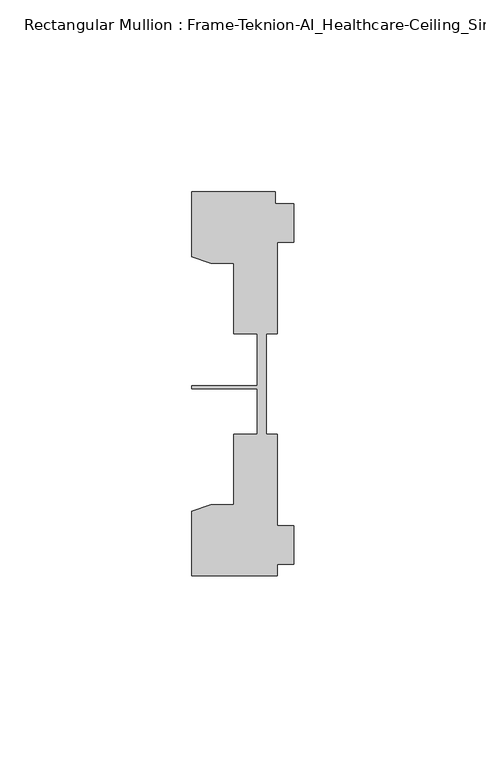
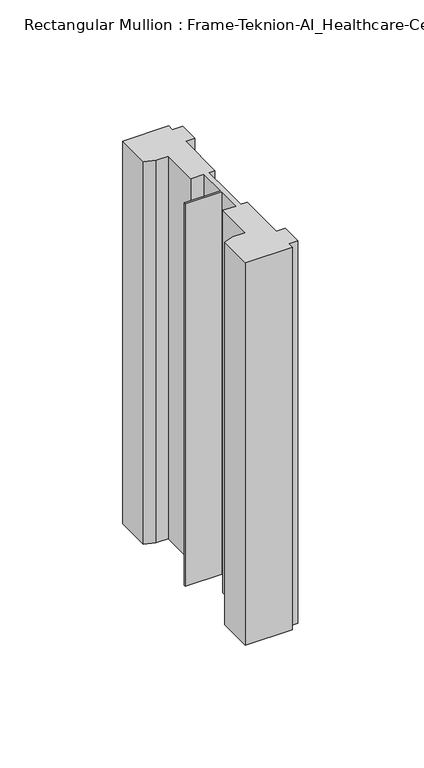
"""IFC4 building model written with IfcOpenShell, lengths in millimetres: member geometry, Rectangular Mullion : Frame-Teknion-AI_Healthcare-Ceiling_Single_Channel."""

from ifc_helpers import new_model, si_unit, frame, origin, place, context, project, spatial, polyline, outline, extrude, source, transform, mapped, element, save


def rectangular_mullion_frame_teknion_ai_healthcare_ceiling_0526be36(model_context):
    return source(origin(), model_context, "Body", "SweptSolid", [
        extrude(outline(polyline([(-26.4921999, 34.0201677), (-26.4921999, 50.8315128), (-4.7752002, 50.8315128), (-4.7752002, 47.782071), (0.0, 47.782071), (0.0, 37.7820716), (-4.2672007, 37.7820716), (-4.2672007, 13.9110722), (-7.1647766, 13.9110722), (-7.1647766, 0.0814804), (-7.1647766, -12.2509301), (-4.2672007, -12.2509301), (-4.2672007, -36.1219249), (0.0, -36.1219249), (0.0, -46.1219322), (-4.2672007, -46.1219322), (-4.2672007, -49.1699293), (-26.4921999, -49.1699293), (-26.4921999, -32.3600207), (-21.6625199, -30.6279561), (-15.6737764, -30.6279561), (-15.6737764, -12.2509301), (-9.4507761, -12.2509301), (-9.4507761, -0.4036528), (-26.4921999, -0.4036528), (-26.4921999, 0.4036528), (-9.4507761, 0.4036528), (-9.4507761, 13.9110722), (-15.6737764, 13.9110722), (-15.6737764, 32.2880982), (-21.6625199, 32.2880982), (-26.4921999, 34.0201677)])), frame((0.0, 0.0, -190.5), z_axis=(0.0, 0.0, 1.0), x_axis=(1.0, 0.0, 0.0)), (0.0, 0.0, 1.0), 190.5),
    ])


if __name__ == "__main__":
    model = new_model("IFC4")
    model_context = context("Model", 3, world=origin())
    ifc_project = project(units=[si_unit("LENGTHUNIT", "METRE", prefix="MILLI")], contexts=[model_context])
    site = spatial("IfcSite", under=ifc_project)
    building = spatial("IfcBuilding", under=site)
    placement = place(None, origin())
    rectangular_mullion_frame_teknion_ai_healthcare_ceiling_shape = rectangular_mullion_frame_teknion_ai_healthcare_ceiling_0526be36(model_context)
    element("IfcMember", 1, ObjectType="Rectangular Mullion : Frame-Teknion-AI_Healthcare-Ceiling_Single_Channel", at=placement, inside=building, context=model_context, shape_type="MappedRepresentation", body=[
        mapped(rectangular_mullion_frame_teknion_ai_healthcare_ceiling_shape, transform((0.0, 0.0, 0.0), x_axis=(1.0, 0.0, 0.0), y_axis=(0.0, 1.0, 0.0), z_axis=(0.0, 0.0, 1.0))),
    ])
    save(model, "model.ifc")
